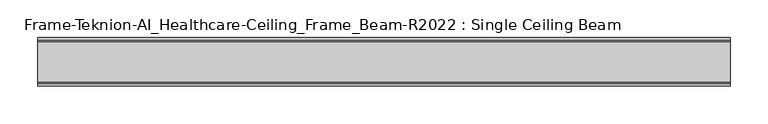
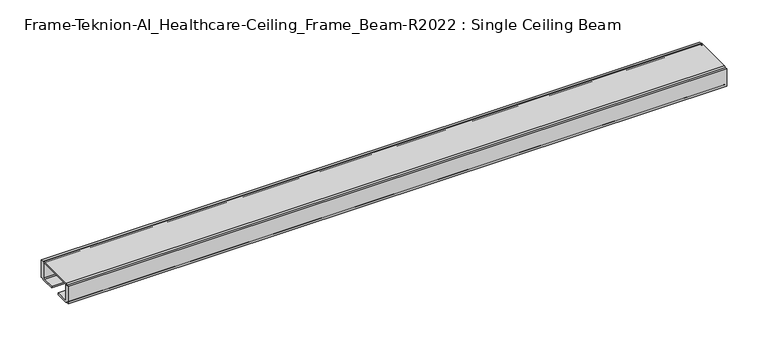
"""IFC4 building model written with IfcOpenShell, lengths in millimetres: furniture geometry, Frame-Teknion-AI_Healthcare-Ceiling_Frame_Beam-R2022 : Single Ceiling Beam."""

from ifc_helpers import new_model, si_unit, point, frame, frame_2d, origin, place, context, project, spatial, polyline, circle_curve, trimmed, segment, composite_curve, outline, extrude, source, transform, mapped, element, save


def frame_teknion_ai_healthcare_ceiling_frame_beam_r2022_single_8cfa51b2(model_context):
    return source(origin(), model_context, "Body", "SweptSolid", [
        extrude(outline(composite_curve([segment(polyline([(-32.174996, 1573.5046), (-32.174996, 1598.9045998), (-28.999999, 1598.9045998), (-28.999999, 1597.787)]), True, "CONTINUOUS"), segment(trimmed(circle_curve(frame_2d((-26.5869991, 1597.787)), 2.413), [point((-28.999999, 1597.787))], [point((-26.5869991, 1600.2))], False, "CARTESIAN"), True, "CONTINUOUS"), segment(polyline([(-26.5869991, 1600.2), (26.5869991, 1600.2)]), True, "CONTINUOUS"), segment(trimmed(circle_curve(frame_2d((26.5869991, 1597.787)), 2.413), [point((26.5869991, 1600.2))], [point((28.999999, 1597.787))], False, "CARTESIAN"), True, "CONTINUOUS"), segment(polyline([(28.999999, 1597.787), (28.999999, 1598.9045998), (32.174996, 1598.9045998), (32.174996, 1573.5046), (28.999999, 1573.5046), (28.999999, 1574.6129989)]), True, "CONTINUOUS"), segment(trimmed(circle_curve(frame_2d((26.5869991, 1574.6129989)), 2.413), [point((28.999999, 1574.6129989))], [point((26.5869991, 1572.199999))], False, "CARTESIAN"), True, "CONTINUOUS"), segment(polyline([(26.5869991, 1572.199999), (7.9374947, 1572.199999), (7.9374947, 1574.4859991), (25.4440002, 1574.4859991)]), True, "CONTINUOUS"), segment(trimmed(circle_curve(frame_2d((25.4440002, 1576.0099999)), 1.5240008), [point((25.4440002, 1574.4859991))], [point((26.968001, 1576.0099999))], True, "CARTESIAN"), True, "CONTINUOUS"), segment(polyline([(26.968001, 1576.0099999), (26.968001, 1597.1520009)]), True, "CONTINUOUS"), segment(trimmed(circle_curve(frame_2d((25.9520019, 1597.1520009)), 1.015999), [point((26.968001, 1597.1520009))], [point((25.9520019, 1598.168))], True, "CARTESIAN"), True, "CONTINUOUS"), segment(polyline([(25.9520019, 1598.168), (-25.9520019, 1598.168)]), True, "CONTINUOUS"), segment(trimmed(circle_curve(frame_2d((-25.9520019, 1597.1520009)), 1.015999), [point((-25.9520019, 1598.168))], [point((-26.968001, 1597.1520009))], True, "CARTESIAN"), True, "CONTINUOUS"), segment(polyline([(-26.968001, 1597.1520009), (-26.968001, 1576.0099999)]), True, "CONTINUOUS"), segment(trimmed(circle_curve(frame_2d((-25.4440002, 1576.0099999)), 1.5240008), [point((-26.968001, 1576.0099999))], [point((-25.4440002, 1574.4859991))], True, "CARTESIAN"), True, "CONTINUOUS"), segment(polyline([(-25.4440002, 1574.4859991), (-7.9374947, 1574.4859991), (-7.9374947, 1572.199999), (-26.5869991, 1572.199999)]), True, "CONTINUOUS"), segment(trimmed(circle_curve(frame_2d((-26.5869991, 1574.6129989)), 2.413), [point((-26.5869991, 1572.199999))], [point((-28.999999, 1574.6129989))], False, "CARTESIAN"), True, "CONTINUOUS"), segment(polyline([(-28.999999, 1574.6129989), (-28.999999, 1573.5046), (-32.174996, 1573.5046)]), True, "CONTINUOUS")], self_intersect=False)), frame((-458.4954, 0.0, 0.0), z_axis=(1.0, 0.0, 0.0), x_axis=(0.0, 1.0, 0.0)), (0.0, 0.0, 1.0), 916.9908),
    ])


if __name__ == "__main__":
    model = new_model("IFC4")
    model_context = context("Model", 3, world=origin())
    ifc_project = project(units=[si_unit("LENGTHUNIT", "METRE", prefix="MILLI")], contexts=[model_context])
    site = spatial("IfcSite", under=ifc_project)
    building = spatial("IfcBuilding", under=site)
    placement = place(None, origin())
    frame_teknion_ai_healthcare_ceiling_frame_beam_r2022_single_shape = frame_teknion_ai_healthcare_ceiling_frame_beam_r2022_single_8cfa51b2(model_context)
    element("IfcFurniture", 1, ObjectType="Frame-Teknion-AI_Healthcare-Ceiling_Frame_Beam-R2022 : Single Ceiling Beam", at=placement, inside=building, context=model_context, shape_type="MappedRepresentation", body=[
        mapped(frame_teknion_ai_healthcare_ceiling_frame_beam_r2022_single_shape, transform((0.0, 0.0, 0.0), x_axis=(1.0, 0.0, 0.0), y_axis=(0.0, 1.0, 0.0), z_axis=(0.0, 0.0, 1.0))),
    ])
    save(model, "model.ifc")
